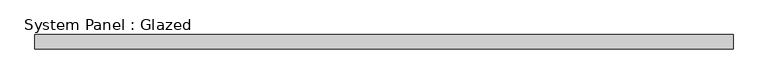
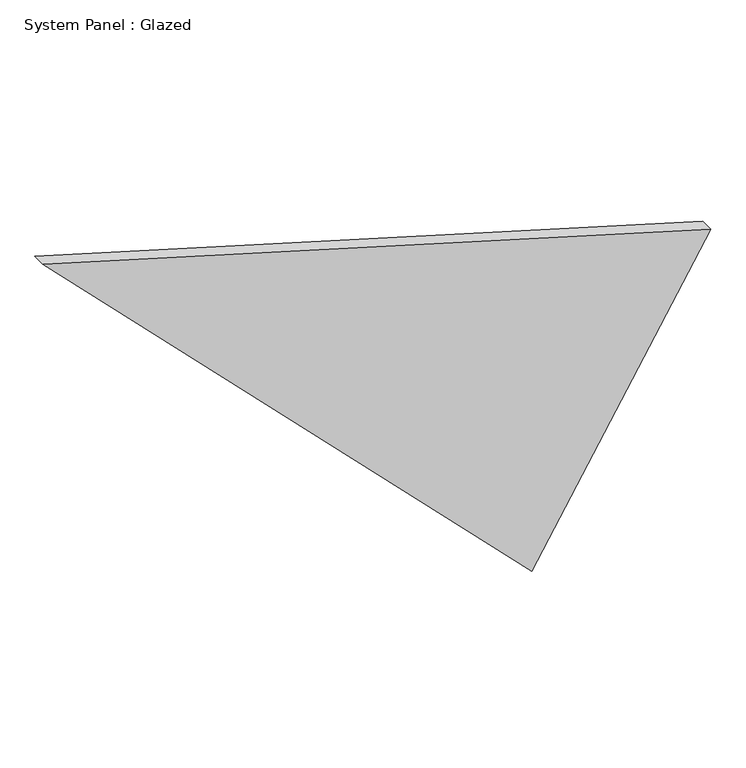
"""IFC4 building model written with IfcOpenShell, lengths in millimetres: plate geometry, System Panel : Glazed."""

from ifc_helpers import new_model, si_unit, frame, origin, place, context, project, spatial, polyline, outline, extrude, source, transform, mapped, element, save


def system_panel_glazed_f5d18e59(model_context):
    return source(origin(), model_context, "Body", "SweptSolid", [
        extrude(outline(polyline([(0.0, 336.4948582), (648.3564506, 724.959317), (1076.5260105, -724.959317), (0.0, 336.4948582)])), frame((0.0, -36.8101563, 0.0), z_axis=(0.0, 1.0, 0.0), x_axis=(0.0, 0.0, 1.0)), (0.0, 0.0, 1.0), 30.1625),
    ])


if __name__ == "__main__":
    model = new_model("IFC4")
    model_context = context("Model", 3, world=origin())
    ifc_project = project(units=[si_unit("LENGTHUNIT", "METRE", prefix="MILLI")], contexts=[model_context])
    site = spatial("IfcSite", under=ifc_project)
    building = spatial("IfcBuilding", under=site)
    placement = place(None, origin())
    system_panel_glazed_shape = system_panel_glazed_f5d18e59(model_context)
    element("IfcPlate", 1, ObjectType="System Panel : Glazed", at=placement, inside=building, context=model_context, shape_type="MappedRepresentation", body=[
        mapped(system_panel_glazed_shape, transform((0.0, 0.0, 0.0), x_axis=(1.0, 0.0, 0.0), y_axis=(0.0, 1.0, 0.0), z_axis=(0.0, 0.0, 1.0))),
    ])
    save(model, "model.ifc")
